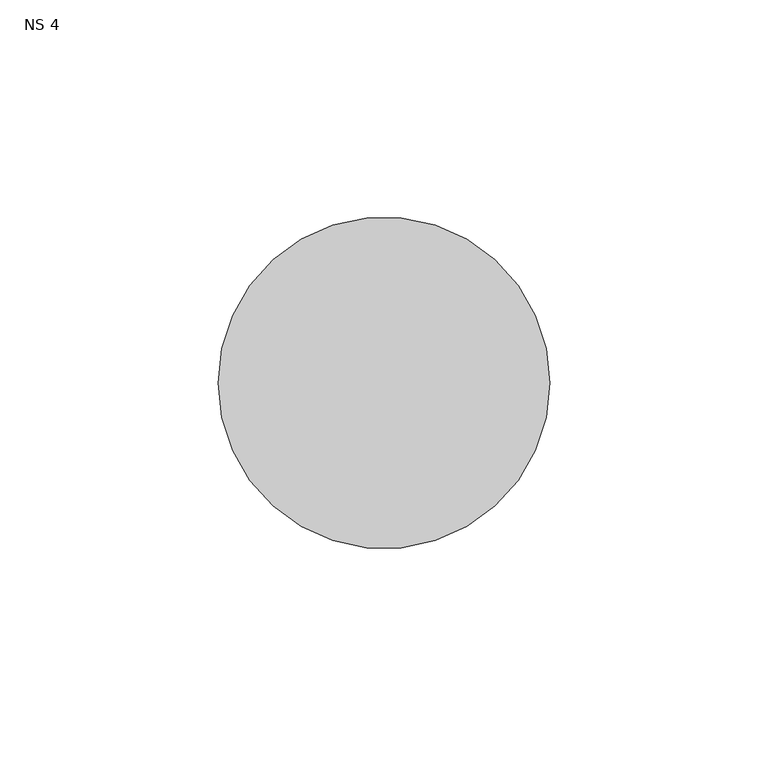
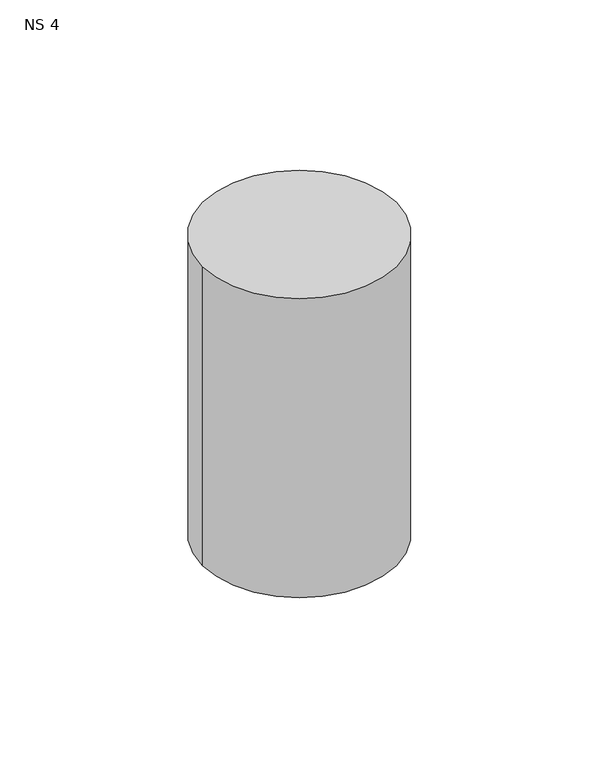
"""IFC4 building model written with IfcOpenShell, lengths in millimetres: unitary equipment geometry, NS 4."""

from ifc_helpers import new_model, si_unit, point, frame, frame_2d, origin, place, context, project, spatial, circle_curve, trimmed, segment, composite_curve, outline, extrude, source, transform, mapped, element, save


def ns_4_fcfb2e82(model_context):
    return source(origin(), model_context, "Body", "SweptSolid", [
        extrude(outline(composite_curve([segment(trimmed(circle_curve(frame_2d((200.0, 346.41)), 38.0), [point((162.0, 346.41))], [point((238.0, 346.41))], False, "CARTESIAN"), True, "CONTINUOUS"), segment(trimmed(circle_curve(frame_2d((200.0, 346.41)), 38.0), [point((238.0, 346.41))], [point((162.0, 346.41))], False, "CARTESIAN"), True, "CONTINUOUS")], self_intersect=False)), frame((0.0, 0.0, 1402.5), z_axis=(0.0, 0.0, 1.0), x_axis=(1.0, 0.0, 0.0)), (0.0, 0.0, 1.0), 124.0),
    ])


if __name__ == "__main__":
    model = new_model("IFC4")
    model_context = context("Model", 3, world=origin())
    ifc_project = project(units=[si_unit("LENGTHUNIT", "METRE", prefix="MILLI")], contexts=[model_context])
    site = spatial("IfcSite", under=ifc_project)
    building = spatial("IfcBuilding", under=site)
    placement = place(None, origin())
    ns_4_shape = ns_4_fcfb2e82(model_context)
    element("IfcUnitaryEquipment", 1, ObjectType="NS 4", at=placement, inside=building, context=model_context, shape_type="MappedRepresentation", body=[
        mapped(ns_4_shape, transform((0.0, 0.0, 0.0), x_axis=(1.0, 0.0, 0.0), y_axis=(0.0, 1.0, 0.0), z_axis=(0.0, 0.0, 1.0))),
    ])
    save(model, "model.ifc")
